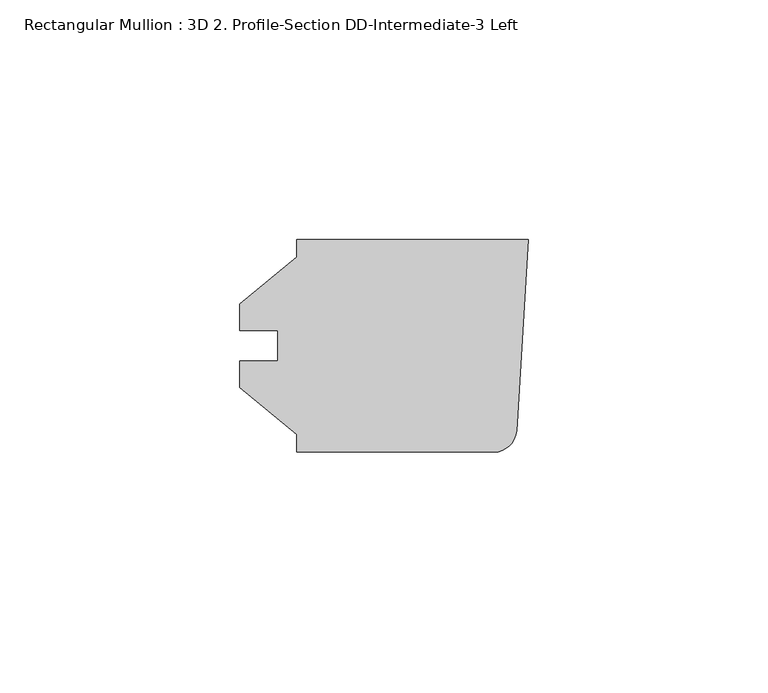
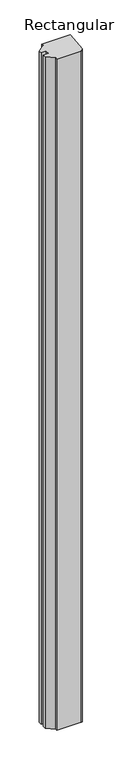
"""IFC4 building model written with IfcOpenShell, lengths in millimetres: member geometry, Rectangular Mullion : 3D 2. Profile-Section DD-Intermediate-3 Left."""

from ifc_helpers import new_model, si_unit, point, frame, frame_2d, origin, place, context, project, spatial, polyline, circle_curve, trimmed, segment, composite_curve, outline, extrude, source, transform, mapped, element, save


def rectangular_mullion_3d_2_profile_section_dd_intermediate_3_540c6e65(model_context):
    return source(origin(), model_context, "Body", "SweptSolid", [
        extrude(outline(composite_curve([segment(polyline([(-48.4124, 22.225), (0.0, 22.225), (-2.4997803, -17.7714844)]), True, "CONTINUOUS"), segment(trimmed(circle_curve(frame_2d((-7.2403304, -17.4752)), 4.7498), [point((-2.4997803, -17.7714844))], [point((-7.2403304, -22.225))], False, "CARTESIAN"), True, "CONTINUOUS"), segment(polyline([(-7.2403304, -22.225), (-48.4124, -22.225), (-48.4124, -18.518836), (-60.31865, -8.7503), (-60.31865, -3.175), (-52.3748, -3.175), (-52.3748, 3.175), (-60.31865, 3.175), (-60.31865, 8.7503), (-48.4124, 18.518836), (-48.4124, 22.225)]), True, "CONTINUOUS")], self_intersect=False)), frame((0.0, 0.0, -1219.2), z_axis=(0.0, 0.0, 1.0), x_axis=(1.0, 0.0, 0.0)), (0.0, 0.0, 1.0), 1219.2),
    ])


if __name__ == "__main__":
    model = new_model("IFC4")
    model_context = context("Model", 3, world=origin())
    ifc_project = project(units=[si_unit("LENGTHUNIT", "METRE", prefix="MILLI")], contexts=[model_context])
    site = spatial("IfcSite", under=ifc_project)
    building = spatial("IfcBuilding", under=site)
    placement = place(None, origin())
    rectangular_mullion_3d_2_profile_section_dd_intermediate_3_shape = rectangular_mullion_3d_2_profile_section_dd_intermediate_3_540c6e65(model_context)
    element("IfcMember", 1, ObjectType="Rectangular Mullion : 3D 2. Profile-Section DD-Intermediate-3 Left", at=placement, inside=building, context=model_context, shape_type="MappedRepresentation", body=[
        mapped(rectangular_mullion_3d_2_profile_section_dd_intermediate_3_shape, transform((0.0, 0.0, 0.0), x_axis=(1.0, 0.0, 0.0), y_axis=(0.0, 1.0, 0.0), z_axis=(0.0, 0.0, 1.0))),
    ])
    save(model, "model.ifc")
